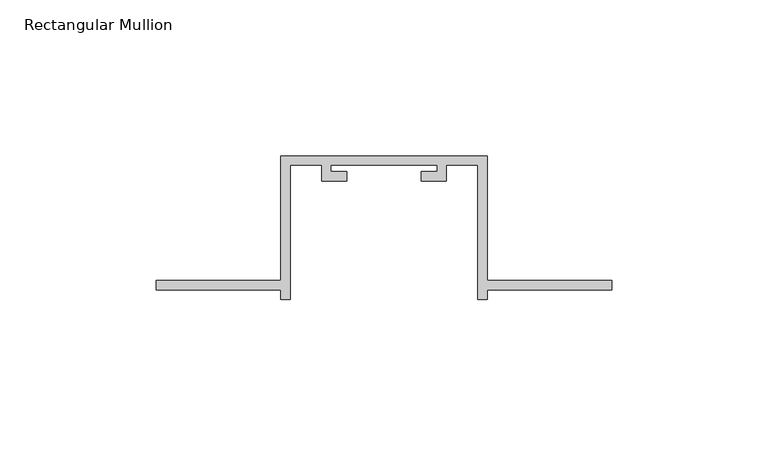
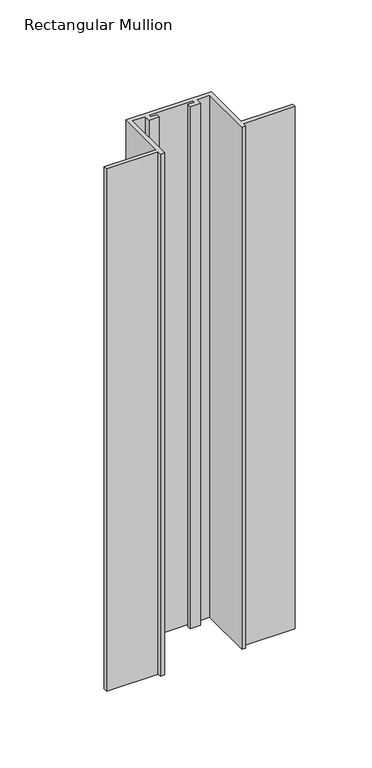
"""IFC4 building model written with IfcOpenShell, lengths in millimetres: member geometry, Rectangular Mullion."""

from ifc_helpers import new_model, si_unit, frame, origin, place, context, project, spatial, polyline, outline, extrude, source, transform, mapped, element, save


def rectangular_mullion_30f02b1b(model_context):
    return source(origin(), model_context, "Body", "SweptSolid", [
        extrude(outline(polyline([(-33.0, -132.0), (-73.0, -132.0), (-73.0, -129.0), (-33.0, -129.0), (-33.0, -89.0), (33.0, -89.0), (33.0, -129.0), (73.0, -129.0), (73.0, -132.0), (33.0, -132.0), (33.0, -135.0), (30.0, -135.0), (30.0, -92.0), (20.0, -92.0), (20.0, -97.0), (12.0, -97.0), (12.0, -94.0), (17.0, -94.0), (17.0, -92.0), (-17.0, -92.0), (-17.0, -94.0), (-12.0, -94.0), (-12.0, -97.0), (-20.0, -97.0), (-20.0, -92.0), (-30.0, -92.0), (-30.0, -135.0), (-33.0, -135.0), (-33.0, -132.0)])), frame((0.0, 0.0, -427.2026776), z_axis=(0.0, 0.0, 1.0), x_axis=(1.0, 0.0, 0.0)), (0.0, 0.0, 1.0), 427.2026776),
    ])


if __name__ == "__main__":
    model = new_model("IFC4")
    model_context = context("Model", 3, world=origin())
    ifc_project = project(units=[si_unit("LENGTHUNIT", "METRE", prefix="MILLI")], contexts=[model_context])
    site = spatial("IfcSite", under=ifc_project)
    building = spatial("IfcBuilding", under=site)
    placement = place(None, origin())
    rectangular_mullion_shape = rectangular_mullion_30f02b1b(model_context)
    element("IfcMember", 1, ObjectType="Rectangular Mullion", at=placement, inside=building, context=model_context, shape_type="MappedRepresentation", body=[
        mapped(rectangular_mullion_shape, transform((0.0, 0.0, 0.0), x_axis=(1.0, 0.0, 0.0), y_axis=(0.0, 1.0, 0.0), z_axis=(0.0, 0.0, 1.0))),
    ])
    save(model, "model.ifc")
